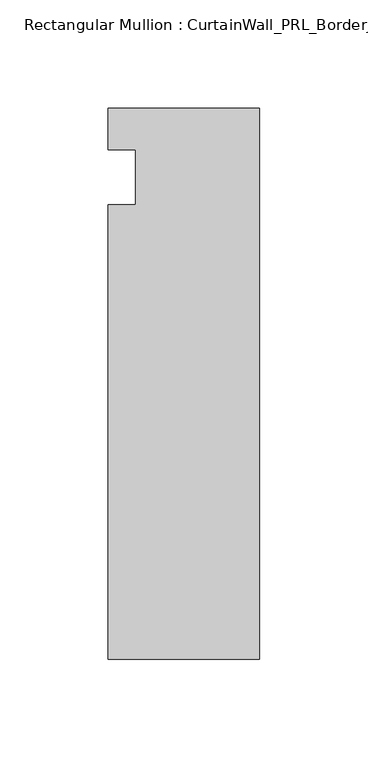
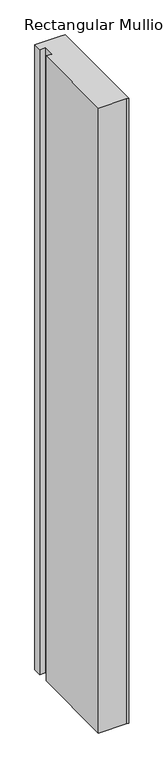
"""IFC4 building model written with IfcOpenShell, lengths in millimetres: member geometry, Rectangular Mullion : CurtainWall_PRL_BorderJamb_1001 Reverse."""

from ifc_helpers import new_model, si_unit, frame, origin, place, context, project, spatial, polyline, outline, extrude, source, transform, mapped, element, save


def rectangular_mullion_curtainwall_prl_borderjamb_1001_reverse_b0f895fa(model_context):
    return source(origin(), model_context, "Body", "SweptSolid", [
        extrude(outline(polyline([(-57.15, -12.7), (-57.15, 12.7), (-69.85, 12.7), (-69.85, 31.75), (-7.3958824, 31.75), (0.0, 31.75), (0.0, -222.25), (-6.35, -222.25), (-69.85, -222.25), (-69.85, -12.7), (-57.15, -12.7)])), frame((0.0, 0.0, -1524.0), z_axis=(0.0, 0.0, 1.0), x_axis=(1.0, 0.0, 0.0)), (0.0, 0.0, 1.0), 1524.0),
    ])


if __name__ == "__main__":
    model = new_model("IFC4")
    model_context = context("Model", 3, world=origin())
    ifc_project = project(units=[si_unit("LENGTHUNIT", "METRE", prefix="MILLI")], contexts=[model_context])
    site = spatial("IfcSite", under=ifc_project)
    building = spatial("IfcBuilding", under=site)
    placement = place(None, origin())
    rectangular_mullion_curtainwall_prl_borderjamb_1001_reverse_shape = rectangular_mullion_curtainwall_prl_borderjamb_1001_reverse_b0f895fa(model_context)
    element("IfcMember", 1, ObjectType="Rectangular Mullion : CurtainWall_PRL_BorderJamb_1001 Reverse", at=placement, inside=building, context=model_context, shape_type="MappedRepresentation", body=[
        mapped(rectangular_mullion_curtainwall_prl_borderjamb_1001_reverse_shape, transform((0.0, 0.0, 0.0), x_axis=(1.0, 0.0, 0.0), y_axis=(0.0, 1.0, 0.0), z_axis=(0.0, 0.0, 1.0))),
    ])
    save(model, "model.ifc")
